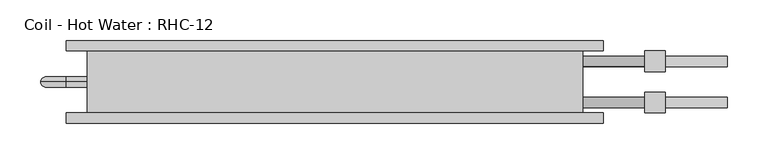
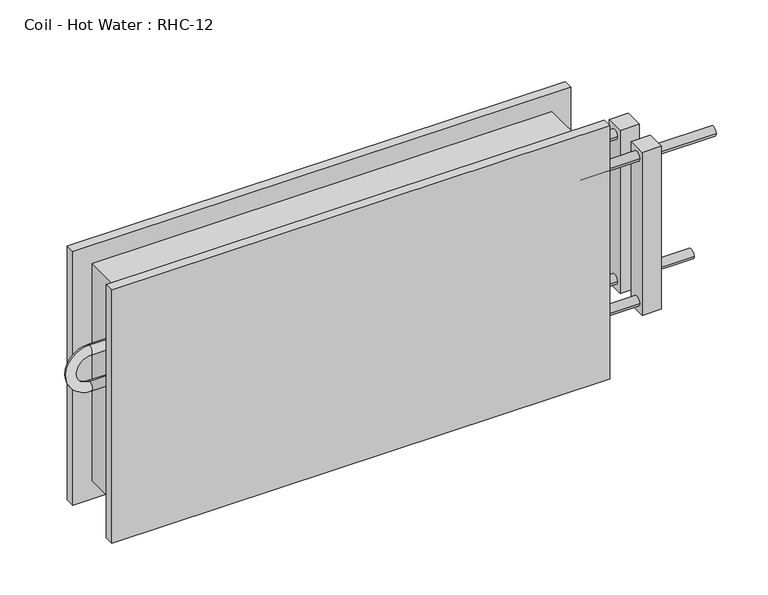
"""IFC4 building model written with IfcOpenShell, lengths in millimetres: proxy geometry, Coil - Hot Water : RHC-12."""

from ifc_helpers import new_model, si_unit, point, frame, origin, place, context, project, spatial, circle_curve, ellipse_curve, trimmed, source, transform, mapped, element, save
from ifc_brep_helpers import plane_surface, cylinder_surface, revolved_surface, advanced_brep


def coil_hot_water_rhc_12_5a70b938(model_context):
    return source(origin(), model_context, "Body", "AdvancedBrep", [
        advanced_brep(
        [(-304.8, 76.2, 304.8), (-304.8, 0.0, 304.8), (304.8, 0.0, 304.8), (304.8, 76.2, 304.8), (304.8, 76.2, 0.0), (304.8, 0.0, 0.0), (-304.8, 0.0, 0.0), (-304.8, 76.2, 0.0), (-304.8, 38.1, 222.25), (-304.8, 38.1, 209.55), (-304.8, 38.1, 171.45), (-304.8, 38.1, 158.75), (304.8, 57.15, 254.0), (304.8, 69.85, 254.0), (304.8, 6.35, 50.8), (304.8, 19.05, 50.8), (304.8, 6.35, 254.0), (304.8, 19.05, 254.0), (304.8, 57.15, 50.8), (304.8, 69.85, 50.8), (330.2, 76.2, 330.2), (-330.2, 76.2, 330.2), (-330.2, 76.2, -25.4), (330.2, 76.2, -25.4), (330.2, 88.9, 330.2), (330.2, 88.9, -25.4), (-330.2, 88.9, -25.4), (-330.2, 88.9, 330.2), (482.6, 57.15, 50.8), (482.6, 69.85, 50.8), (482.6, 6.35, 254.0), (482.6, 19.05, 254.0), (406.4, 57.15, 50.8), (406.4, 69.85, 50.8), (406.4, 6.35, 254.0), (406.4, 19.05, 254.0), (330.2, -12.7, 330.2), (-330.2, -12.7, 330.2), (-330.2, -12.7, -25.4), (330.2, -12.7, -25.4), (330.2, 0.0, 330.2), (330.2, 0.0, -25.4), (-330.2, 0.0, -25.4), (-330.2, 0.0, 330.2), (-330.2, 38.1, 222.25), (-330.2, 38.1, 209.55), (-330.2, 38.1, 158.75), (-330.2, 38.1, 171.45), (381.0, 57.15, 254.0), (381.0, 69.85, 254.0), (381.0, 6.35, 50.8), (381.0, 19.05, 50.8), (381.0, 6.35, 254.0), (381.0, 19.05, 254.0), (381.0, 57.15, 50.8), (381.0, 69.85, 50.8), (406.4, 50.8, 266.7), (406.4, 50.8, 38.1), (406.4, 76.2, 38.1), (406.4, 76.2, 266.7), (406.4, 0.0, 266.7), (406.4, 0.0, 38.1), (406.4, 25.4, 38.1), (406.4, 25.4, 266.7), (381.0, 50.8, 266.7), (381.0, 76.2, 266.7), (381.0, 76.2, 38.1), (381.0, 50.8, 38.1), (381.0, 0.0, 266.7), (381.0, 25.4, 266.7), (381.0, 25.4, 38.1), (381.0, 0.0, 38.1)],
        [
            (0, 1),
            (1, 2),
            (2, 3),
            (3, 0),
            (4, 5),
            (5, 6),
            (6, 7),
            (7, 4),
            (0, 7),
            (6, 1),
            (8, 9, circle_curve(frame((-304.8, 38.1, 215.9), z_axis=(1.0, 0.0, 0.0), x_axis=(0.0, 0.0, -1.0)), 6.35)),
            (9, 8, circle_curve(frame((-304.8, 38.1, 215.9), z_axis=(1.0, 0.0, 0.0), x_axis=(0.0, 0.0, -1.0)), 6.35)),
            (10, 11, circle_curve(frame((-304.8, 38.1, 165.1), z_axis=(1.0, 0.0, 0.0), x_axis=(0.0, 0.0, 1.0)), 6.35)),
            (11, 10, circle_curve(frame((-304.8, 38.1, 165.1), z_axis=(1.0, 0.0, 0.0), x_axis=(0.0, 0.0, 1.0)), 6.35)),
            (2, 5),
            (4, 3),
            (12, 13, circle_curve(frame((304.8, 63.5, 254.0), z_axis=(-1.0, 0.0, 0.0), x_axis=(0.0, 1.0, 0.0)), 6.35)),
            (13, 12, circle_curve(frame((304.8, 63.5, 254.0), z_axis=(-1.0, 0.0, 0.0), x_axis=(0.0, 1.0, 0.0)), 6.35)),
            (14, 15, circle_curve(frame((304.8, 12.7, 50.8), z_axis=(-1.0, 0.0, 0.0), x_axis=(0.0, 1.0, 0.0)), 6.35)),
            (15, 14, circle_curve(frame((304.8, 12.7, 50.8), z_axis=(-1.0, 0.0, 0.0), x_axis=(0.0, 1.0, 0.0)), 6.35)),
            (16, 17, circle_curve(frame((304.8, 12.7, 254.0), z_axis=(-1.0, 0.0, 0.0), x_axis=(0.0, 1.0, 0.0)), 6.35)),
            (17, 16, circle_curve(frame((304.8, 12.7, 254.0), z_axis=(-1.0, 0.0, 0.0), x_axis=(0.0, 1.0, 0.0)), 6.35)),
            (18, 19, circle_curve(frame((304.8, 63.5, 50.8), z_axis=(-1.0, 0.0, 0.0), x_axis=(0.0, 1.0, 0.0)), 6.35)),
            (19, 18, circle_curve(frame((304.8, 63.5, 50.8), z_axis=(-1.0, 0.0, 0.0), x_axis=(0.0, 1.0, 0.0)), 6.35)),
            (20, 21),
            (21, 22),
            (22, 23),
            (23, 20),
            (24, 25),
            (25, 26),
            (26, 27),
            (27, 24),
            (20, 24),
            (27, 21),
            (26, 22),
            (25, 23),
            (28, 29, circle_curve(frame((482.6, 63.5, 50.8), z_axis=(1.0, 0.0, 0.0), x_axis=(0.0, 1.0, 0.0)), 6.35)),
            (29, 28, circle_curve(frame((482.6, 63.5, 50.8), z_axis=(1.0, 0.0, 0.0), x_axis=(0.0, 1.0, 0.0)), 6.35)),
            (30, 31, circle_curve(frame((482.6, 12.7, 254.0), z_axis=(1.0, 0.0, 0.0), x_axis=(0.0, 1.0, 0.0)), 6.35)),
            (31, 30, circle_curve(frame((482.6, 12.7, 254.0), z_axis=(1.0, 0.0, 0.0), x_axis=(0.0, 1.0, 0.0)), 6.35)),
            (28, 32),
            (32, 33, circle_curve(frame((406.4, 63.5, 50.8), z_axis=(1.0, 0.0, 0.0), x_axis=(0.0, 1.0, 0.0)), 6.35)),
            (33, 29),
            (33, 32, circle_curve(frame((406.4, 63.5, 50.8), z_axis=(1.0, 0.0, 0.0), x_axis=(0.0, 1.0, 0.0)), 6.35)),
            (30, 34),
            (34, 35, circle_curve(frame((406.4, 12.7, 254.0), z_axis=(1.0, 0.0, 0.0), x_axis=(0.0, 1.0, 0.0)), 6.35)),
            (35, 31),
            (35, 34, circle_curve(frame((406.4, 12.7, 254.0), z_axis=(1.0, 0.0, 0.0), x_axis=(0.0, 1.0, 0.0)), 6.35)),
            (36, 37),
            (37, 38),
            (38, 39),
            (39, 36),
            (40, 41),
            (41, 42),
            (42, 43),
            (43, 40),
            (36, 40),
            (43, 37),
            (42, 38),
            (41, 39),
            (8, 44),
            (44, 45, circle_curve(frame((-330.2, 38.1, 215.9), z_axis=(1.0, 0.0, 0.0), x_axis=(0.0, 0.0, -1.0)), 6.35)),
            (45, 9),
            (45, 44, circle_curve(frame((-330.2, 38.1, 215.9), z_axis=(1.0, 0.0, 0.0), x_axis=(0.0, 0.0, -1.0)), 6.35)),
            (44, 46, circle_curve(frame((-330.2, 38.1, 190.5), z_axis=(0.0, -1.0, 0.0), x_axis=(0.0, 0.0, 1.0)), 31.75)),
            (46, 47, circle_curve(frame((-330.2, 38.1, 165.1), z_axis=(-1.0, 0.0, 0.0), x_axis=(0.0, 0.0, 1.0)), 6.35)),
            (47, 45, circle_curve(frame((-330.2, 38.1, 190.5), z_axis=(0.0, 1.0, 0.0), x_axis=(0.0, 0.0, 1.0)), 19.05)),
            (47, 46, circle_curve(frame((-330.2, 38.1, 165.1), z_axis=(-1.0, 0.0, 0.0), x_axis=(0.0, 0.0, 1.0)), 6.35)),
            (46, 11),
            (10, 47),
            (12, 48),
            (48, 49, circle_curve(frame((381.0, 63.5, 254.0), z_axis=(-1.0, 0.0, 0.0), x_axis=(0.0, 1.0, 0.0)), 6.35)),
            (49, 13),
            (49, 48, circle_curve(frame((381.0, 63.5, 254.0), z_axis=(-1.0, 0.0, 0.0), x_axis=(0.0, 1.0, 0.0)), 6.35)),
            (14, 50),
            (50, 51, circle_curve(frame((381.0, 12.7, 50.8), z_axis=(-1.0, 0.0, 0.0), x_axis=(0.0, 1.0, 0.0)), 6.35)),
            (51, 15),
            (51, 50, circle_curve(frame((381.0, 12.7, 50.8), z_axis=(-1.0, 0.0, 0.0), x_axis=(0.0, 1.0, 0.0)), 6.35)),
            (16, 52),
            (52, 53, circle_curve(frame((381.0, 12.7, 254.0), z_axis=(-1.0, 0.0, 0.0), x_axis=(0.0, 1.0, 0.0)), 6.35)),
            (53, 17),
            (53, 52, circle_curve(frame((381.0, 12.7, 254.0), z_axis=(-1.0, 0.0, 0.0), x_axis=(0.0, 1.0, 0.0)), 6.35)),
            (18, 54),
            (54, 55, circle_curve(frame((381.0, 63.5, 50.8), z_axis=(-1.0, 0.0, 0.0), x_axis=(0.0, 1.0, 0.0)), 6.35)),
            (55, 19),
            (55, 54, circle_curve(frame((381.0, 63.5, 50.8), z_axis=(-1.0, 0.0, 0.0), x_axis=(0.0, 1.0, 0.0)), 6.35)),
            (56, 57),
            (57, 58),
            (58, 59),
            (59, 56),
            (60, 61),
            (61, 62),
            (62, 63),
            (63, 60),
            (64, 65),
            (65, 66),
            (66, 67),
            (67, 64),
            (68, 69),
            (69, 70),
            (70, 71),
            (71, 68),
            (56, 64),
            (67, 57),
            (66, 58),
            (65, 59),
            (60, 68),
            (71, 61),
            (70, 62),
            (69, 63),
        ],
        [
            plane_surface(frame((-304.8, 76.2, 304.8), z_axis=(0.0, 0.0, 1.0), x_axis=(-1.0, 0.0, 0.0))),
            plane_surface(frame((-304.8, 76.2, 0.0), z_axis=(0.0, 0.0, -1.0), x_axis=(1.0, 0.0, 0.0))),
            plane_surface(frame((-304.8, 76.2, 304.8), z_axis=(-1.0, 0.0, 0.0), x_axis=(0.0, 0.0, -1.0))),
            plane_surface(frame((304.8, 0.0, 304.8), z_axis=(1.0, 0.0, 0.0), x_axis=(0.0, 0.0, -1.0))),
            plane_surface(frame((-330.2, 76.2, 330.2), z_axis=(0.0, -1.0, 0.0), x_axis=(-1.0, 0.0, 0.0))),
            plane_surface(frame((-330.2, 88.9, 330.2), z_axis=(0.0, 1.0, 0.0), x_axis=(1.0, 0.0, 0.0))),
            plane_surface(frame((330.2, 76.2, 330.2), z_axis=(0.0, 0.0, 1.0), x_axis=(0.0, 1.0, 0.0))),
            plane_surface(frame((-330.2, 76.2, 330.2), z_axis=(-1.0, 0.0, 0.0), x_axis=(0.0, 1.0, 0.0))),
            plane_surface(frame((-330.2, 76.2, -25.4), z_axis=(0.0, 0.0, -1.0), x_axis=(0.0, 1.0, 0.0))),
            plane_surface(frame((330.2, 76.2, -25.4), z_axis=(1.0, 0.0, 0.0), x_axis=(0.0, 1.0, 0.0))),
            plane_surface(frame((482.6, 69.85, 50.8), z_axis=(1.0, 0.0, 0.0), x_axis=(0.0, 0.0, 1.0))),
            cylinder_surface(frame((406.4, 63.5, 50.8), z_axis=(1.0, 0.0, 0.0), x_axis=(0.0, 1.0, 0.0)), 6.35),
            cylinder_surface(frame((0.0, 12.7, 254.0), z_axis=(1.0, 0.0, 0.0), x_axis=(0.0, 1.0, 0.0)), 6.35),
            plane_surface(frame((-330.2, -12.7, 330.2), z_axis=(0.0, -1.0, 0.0), x_axis=(-1.0, 0.0, 0.0))),
            plane_surface(frame((-330.2, 0.0, 330.2), z_axis=(0.0, 1.0, 0.0), x_axis=(1.0, 0.0, 0.0))),
            plane_surface(frame((330.2, -12.7, 330.2), z_axis=(0.0, 0.0, 1.0), x_axis=(0.0, 1.0, 0.0))),
            plane_surface(frame((-330.2, -12.7, 330.2), z_axis=(-1.0, 0.0, 0.0), x_axis=(0.0, 1.0, 0.0))),
            plane_surface(frame((-330.2, -12.7, -25.4), z_axis=(0.0, 0.0, -1.0), x_axis=(0.0, 1.0, 0.0))),
            plane_surface(frame((330.2, -12.7, -25.4), z_axis=(1.0, 0.0, 0.0), x_axis=(0.0, 1.0, 0.0))),
            cylinder_surface(frame((-304.8, 38.1, 215.9), z_axis=(1.0, 0.0, 0.0), x_axis=(0.0, 0.0, -1.0)), 6.35),
            revolved_surface(trimmed(ellipse_curve(frame((-330.2, 38.1, 215.9), z_axis=(1.0, 0.0, 0.0), x_axis=(0.0, 0.0, -1.0)), 6.35, 6.35), [point((-330.2, 38.1, 222.25))], [point((-330.2, 38.1, 209.55))], True, "CARTESIAN"), (-330.2, 0.0, 190.5), (0.0, -1.0, 0.0)),
            revolved_surface(trimmed(ellipse_curve(frame((-330.2, 38.1, 215.9), z_axis=(1.0, 0.0, 0.0), x_axis=(0.0, 0.0, -1.0)), 6.35, 6.35), [point((-330.2, 38.1, 209.55))], [point((-330.2, 38.1, 222.25))], True, "CARTESIAN"), (-330.2, 0.0, 190.5), (0.0, -1.0, 0.0)),
            cylinder_surface(frame((-330.2, 38.1, 165.1), z_axis=(-1.0, 0.0, 0.0), x_axis=(0.0, 0.0, 1.0)), 6.35),
            cylinder_surface(frame((304.8, 63.5, 254.0), z_axis=(-1.0, 0.0, 0.0), x_axis=(0.0, 1.0, 0.0)), 6.35),
            cylinder_surface(frame((304.8, 12.7, 50.8), z_axis=(-1.0, 0.0, 0.0), x_axis=(0.0, 1.0, 0.0)), 6.35),
            cylinder_surface(frame((304.8, 12.7, 254.0), z_axis=(-1.0, 0.0, 0.0), x_axis=(0.0, 1.0, 0.0)), 6.35),
            cylinder_surface(frame((304.8, 63.5, 50.8), z_axis=(-1.0, 0.0, 0.0), x_axis=(0.0, 1.0, 0.0)), 6.35),
            plane_surface(frame((406.4, 50.8, 264.0802069), z_axis=(1.0, 0.0, 0.0), x_axis=(0.0, 0.0, -1.0))),
            plane_surface(frame((381.0, 50.8, 264.0802069), z_axis=(-1.0, 0.0, 0.0), x_axis=(0.0, 0.0, 1.0))),
            plane_surface(frame((406.4, 50.8, 266.7), z_axis=(0.0, -1.0, 0.0), x_axis=(-1.0, 0.0, 0.0))),
            plane_surface(frame((406.4, 50.8, 38.1), z_axis=(0.0, 0.0, -1.0), x_axis=(-1.0, 0.0, 0.0))),
            plane_surface(frame((406.4, 76.2, 38.1), z_axis=(0.0, 1.0, 0.0), x_axis=(-1.0, 0.0, 0.0))),
            plane_surface(frame((406.4, 76.2, 266.7), z_axis=(0.0, 0.0, 1.0), x_axis=(-1.0, 0.0, 0.0))),
            plane_surface(frame((406.4, 0.0, 266.7), z_axis=(0.0, -1.0, 0.0), x_axis=(-1.0, 0.0, 0.0))),
            plane_surface(frame((406.4, 0.0, 38.1), z_axis=(0.0, 0.0, -1.0), x_axis=(-1.0, 0.0, 0.0))),
            plane_surface(frame((406.4, 25.4, 38.1), z_axis=(0.0, 1.0, 0.0), x_axis=(-1.0, 0.0, 0.0))),
            plane_surface(frame((406.4, 25.4, 266.7), z_axis=(0.0, 0.0, 1.0), x_axis=(-1.0, 0.0, 0.0))),
        ],
        [
            (0, [[1, 2, 3, 4]]),
            (1, [[5, 6, 7, 8]]),
            (2, [[-1, 9, -7, 10], [11, 12], [13, 14]]),
            (3, [[-3, 15, -5, 16], [17, 18], [19, 20], [21, 22], [23, 24]]),
            (4, [[25, 26, 27, 28], [-4, -16, -8, -9]]),
            (5, [[29, 30, 31, 32]]),
            (6, [[-25, 33, -32, 34]]),
            (7, [[-26, -34, -31, 35]]),
            (8, [[-27, -35, -30, 36]]),
            (9, [[-28, -36, -29, -33]]),
            (10, [[37, 38]]),
            (10, [[39, 40]]),
            (11, [[-37, 41, 42, 43]]),
            (11, [[-38, -43, 44, -41]]),
            (12, [[-39, 45, 46, 47]]),
            (12, [[-40, -47, 48, -45]]),
            (13, [[49, 50, 51, 52]]),
            (14, [[53, 54, 55, 56], [-2, -10, -6, -15]]),
            (15, [[-49, 57, -56, 58]]),
            (16, [[-50, -58, -55, 59]]),
            (17, [[-51, -59, -54, 60]]),
            (18, [[-52, -60, -53, -57]]),
            (19, [[61, 62, 63, -11]]),
            (19, [[-61, -12, -63, 64]]),
            (20, [[-62, 65, 66, 67]]),
            (21, [[-64, -67, 68, -65]]),
            (22, [[-66, 69, -13, 70]]),
            (22, [[-68, -70, -14, -69]]),
            (23, [[71, 72, 73, -17]]),
            (23, [[-71, -18, -73, 74]]),
            (24, [[75, 76, 77, -19]]),
            (24, [[-75, -20, -77, 78]]),
            (25, [[79, 80, 81, -21]]),
            (25, [[-79, -22, -81, 82]]),
            (26, [[83, 84, 85, -23]]),
            (26, [[-83, -24, -85, 86]]),
            (27, [[87, 88, 89, 90], [-42, -44]]),
            (27, [[91, 92, 93, 94], [-46, -48]]),
            (28, [[95, 96, 97, 98], [-72, -74], [-84, -86]]),
            (28, [[99, 100, 101, 102], [-76, -78], [-80, -82]]),
            (29, [[-87, 103, -98, 104]]),
            (30, [[-88, -104, -97, 105]]),
            (31, [[-89, -105, -96, 106]]),
            (32, [[-90, -106, -95, -103]]),
            (33, [[-91, 107, -102, 108]]),
            (34, [[-92, -108, -101, 109]]),
            (35, [[-93, -109, -100, 110]]),
            (36, [[-94, -110, -99, -107]]),
        ],
    ),
    ])


if __name__ == "__main__":
    model = new_model("IFC4")
    model_context = context("Model", 3, world=origin())
    ifc_project = project(units=[si_unit("LENGTHUNIT", "METRE", prefix="MILLI")], contexts=[model_context])
    site = spatial("IfcSite", under=ifc_project)
    building = spatial("IfcBuilding", under=site)
    placement = place(None, origin())
    coil_hot_water_rhc_12_shape = coil_hot_water_rhc_12_5a70b938(model_context)
    element("IfcBuildingElementProxy", 1, Name="Coil - Hot Water : RHC-12", ObjectType="Coil - Hot Water : RHC-12", at=placement, inside=building, context=model_context, shape_type="MappedRepresentation", body=[
        mapped(coil_hot_water_rhc_12_shape, transform((0.0, 0.0, 0.0), x_axis=(1.0, 0.0, 0.0), y_axis=(0.0, 1.0, 0.0), z_axis=(0.0, 0.0, 1.0))),
    ])
    save(model, "model.ifc")
